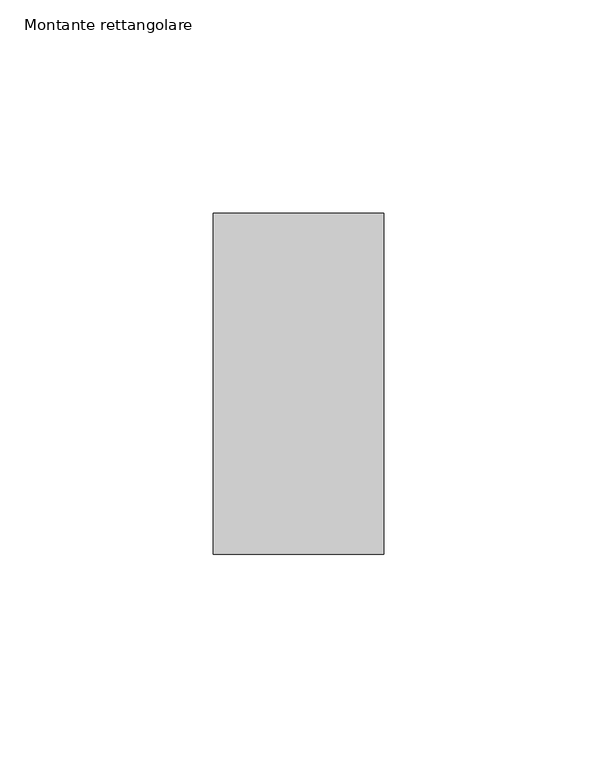
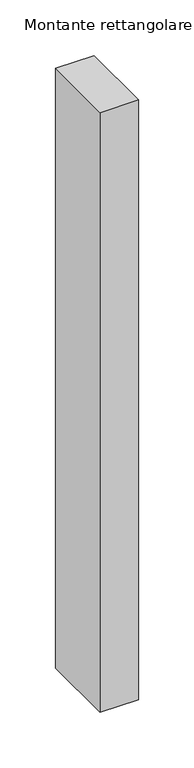
"""IFC4 building model written with IfcOpenShell, lengths in millimetres: member geometry, Montante rettangolare."""

from ifc_helpers import new_model, si_unit, frame, origin, place, context, project, spatial, polyline, outline, extrude, source, transform, mapped, element, save


def montante_rettangolare_1d30ec3c(model_context):
    return source(origin(), model_context, "Body", "SweptSolid", [
        extrude(outline(polyline([(20.0, 60.0), (20.0, -20.0), (-20.0, -20.0), (-20.0, 60.0), (20.0, 60.0)])), frame((0.0, 0.0, -658.6928046), z_axis=(0.0, 0.0, 1.0), x_axis=(1.0, 0.0, 0.0)), (0.0, 0.0, 1.0), 658.6928046),
    ])


if __name__ == "__main__":
    model = new_model("IFC4")
    model_context = context("Model", 3, world=origin())
    ifc_project = project(units=[si_unit("LENGTHUNIT", "METRE", prefix="MILLI")], contexts=[model_context])
    site = spatial("IfcSite", under=ifc_project)
    building = spatial("IfcBuilding", under=site)
    placement = place(None, origin())
    montante_rettangolare_shape = montante_rettangolare_1d30ec3c(model_context)
    element("IfcMember", 1, ObjectType="Montante rettangolare", at=placement, inside=building, context=model_context, shape_type="MappedRepresentation", body=[
        mapped(montante_rettangolare_shape, transform((0.0, 0.0, 0.0), x_axis=(1.0, 0.0, 0.0), y_axis=(0.0, 1.0, 0.0), z_axis=(0.0, 0.0, 1.0))),
    ])
    save(model, "model.ifc")
